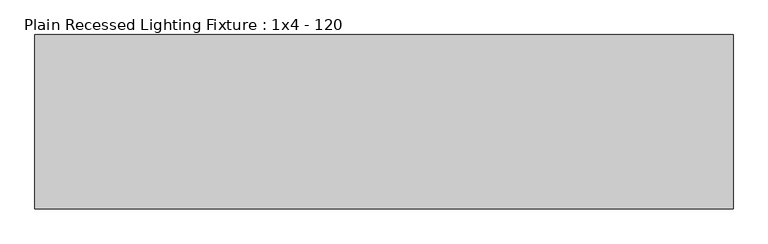
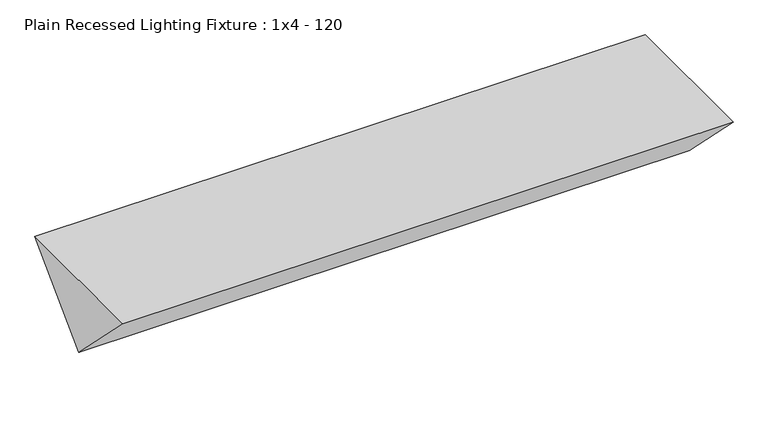
"""IFC4 building model written with IfcOpenShell, lengths in millimetres: light fixture geometry, Plain Recessed Lighting Fixture : 1x4 - 120."""

from ifc_helpers import new_model, si_unit, frame, origin, place, context, project, spatial, polyline, outline, extrude, source, transform, mapped, element, save


def plain_recessed_lighting_fixture_1x4_120_73690371(model_context):
    return source(origin(), model_context, "Body", "SweptSolid", [
        extrude(outline(polyline([(-304.8, 0.0), (0.0, 0.0), (-152.4, -152.4), (-304.8, 0.0)])), frame((0.0, 0.0, 0.0), z_axis=(1.0, 0.0, 0.0), x_axis=(0.0, 1.0, 0.0)), (0.0, 0.0, 1.0), 1219.2),
    ])


if __name__ == "__main__":
    model = new_model("IFC4")
    model_context = context("Model", 3, world=origin())
    ifc_project = project(units=[si_unit("LENGTHUNIT", "METRE", prefix="MILLI")], contexts=[model_context])
    site = spatial("IfcSite", under=ifc_project)
    building = spatial("IfcBuilding", under=site)
    placement = place(None, origin())
    plain_recessed_lighting_fixture_1x4_120_shape = plain_recessed_lighting_fixture_1x4_120_73690371(model_context)
    element("IfcLightFixture", 1, ObjectType="Plain Recessed Lighting Fixture : 1x4 - 120", at=placement, inside=building, context=model_context, shape_type="MappedRepresentation", body=[
        mapped(plain_recessed_lighting_fixture_1x4_120_shape, transform((0.0, 0.0, 0.0), x_axis=(1.0, 0.0, 0.0), y_axis=(0.0, 1.0, 0.0), z_axis=(0.0, 0.0, 1.0))),
    ])
    save(model, "model.ifc")
